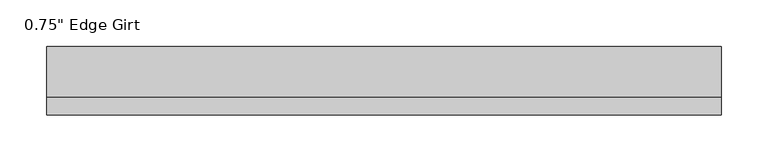
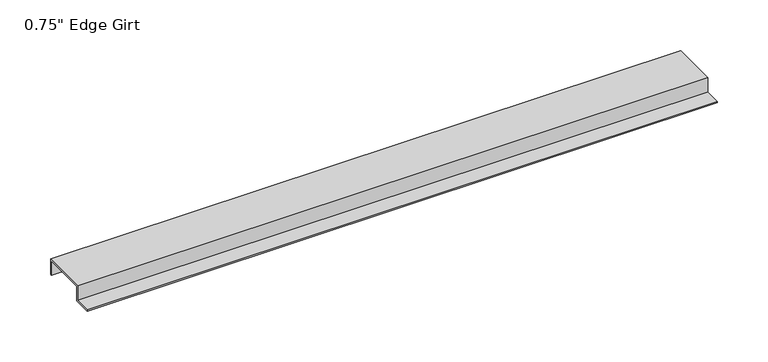
"""IFC4 building model written with IfcOpenShell, lengths in millimetres: proxy geometry."""

from ifc_helpers import new_model, si_unit, frame, origin, place, context, project, spatial, polyline, outline, extrude, source, transform, mapped, element, save


def proxy_64e37f9d(model_context):
    return source(origin(), model_context, "Body", "SweptSolid", [
        extrude(outline(polyline([(-46.0559645, -17.4375), (-46.0559645, -15.8242), (-27.0129, -15.8242), (-27.0129, 1.6129), (27.0129, 1.6129), (27.0129, -17.4375), (25.4, -17.4375), (25.4, 0.0), (-25.4, 0.0), (-25.4, -17.4375), (-46.0559645, -17.4375)])), frame((0.0, 0.0, 0.0), z_axis=(1.0, 0.0, 0.0), x_axis=(0.0, 1.0, 0.0)), (0.0, 0.0, 1.0), 720.3518198),
    ])


if __name__ == "__main__":
    model = new_model("IFC4")
    model_context = context("Model", 3, world=origin())
    ifc_project = project(units=[si_unit("LENGTHUNIT", "METRE", prefix="MILLI")], contexts=[model_context])
    site = spatial("IfcSite", under=ifc_project)
    building = spatial("IfcBuilding", under=site)
    placement = place(None, origin())
    proxy_shape = proxy_64e37f9d(model_context)
    element("IfcBuildingElementProxy", 1, Name="0.75\" Edge Girt", ObjectType="0.75\" Edge Girt", at=placement, inside=building, context=model_context, shape_type="MappedRepresentation", body=[
        mapped(proxy_shape, transform((0.0, 0.0, 0.0), x_axis=(1.0, 0.0, 0.0), y_axis=(0.0, 1.0, 0.0), z_axis=(0.0, 0.0, 1.0))),
    ])
    save(model, "model.ifc")
